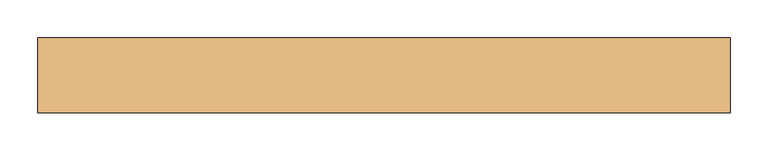
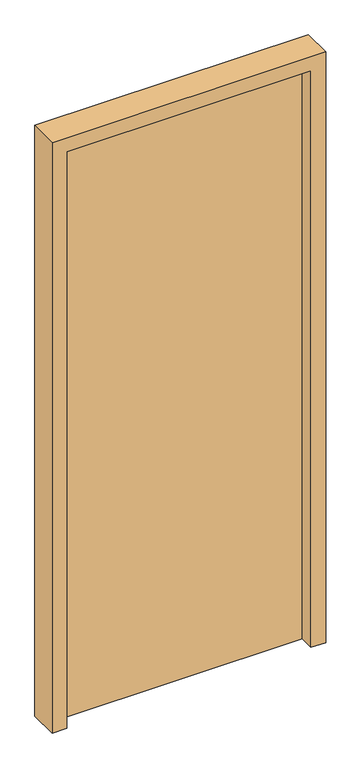
"""IFC4 building model written with IfcOpenShell, lengths in millimetres: door geometry."""

from ifc_helpers import new_model, si_unit, frame, origin, origin_with_axes, place, context, project, spatial, polyline, outline, extrude, source, transform, mapped, element, save


def door_8b928317(model_context):
    return source(origin(), model_context, "Body", "SweptSolid", [
        extrude(outline(polyline([(-410.0, 100.0), (410.0, 100.0), (410.0, 50.0), (-410.0, 50.0), (-410.0, 100.0)])), origin_with_axes(), (0.0, 0.0, 1.0), 2050.0),
        extrude(outline(polyline([(0.0, -460.0), (0.0, -410.0), (2050.0, -410.0), (2050.0, 410.0), (0.0, 410.0), (0.0, 460.0), (2100.0, 460.0), (2100.0, -460.0), (0.0, -460.0)])), frame((0.0, 0.0, 0.0), z_axis=(0.0, 1.0, 0.0), x_axis=(0.0, 0.0, 1.0)), (0.0, 0.0, 1.0), 100.0),
    ])


if __name__ == "__main__":
    model = new_model("IFC4")
    model_context = context("Model", 3, world=origin())
    ifc_project = project(units=[si_unit("LENGTHUNIT", "METRE", prefix="MILLI")], contexts=[model_context])
    site = spatial("IfcSite", under=ifc_project)
    building = spatial("IfcBuilding", under=site)
    placement = place(None, origin())
    door_shape = door_8b928317(model_context)
    element("IfcDoor", 1, at=placement, inside=building, context=model_context, shape_type="MappedRepresentation", body=[
        mapped(door_shape, transform((0.0, 0.0, 0.0), x_axis=(1.0, 0.0, 0.0), y_axis=(0.0, 1.0, 0.0), z_axis=(0.0, 0.0, 1.0))),
    ])
    save(model, "model.ifc")
